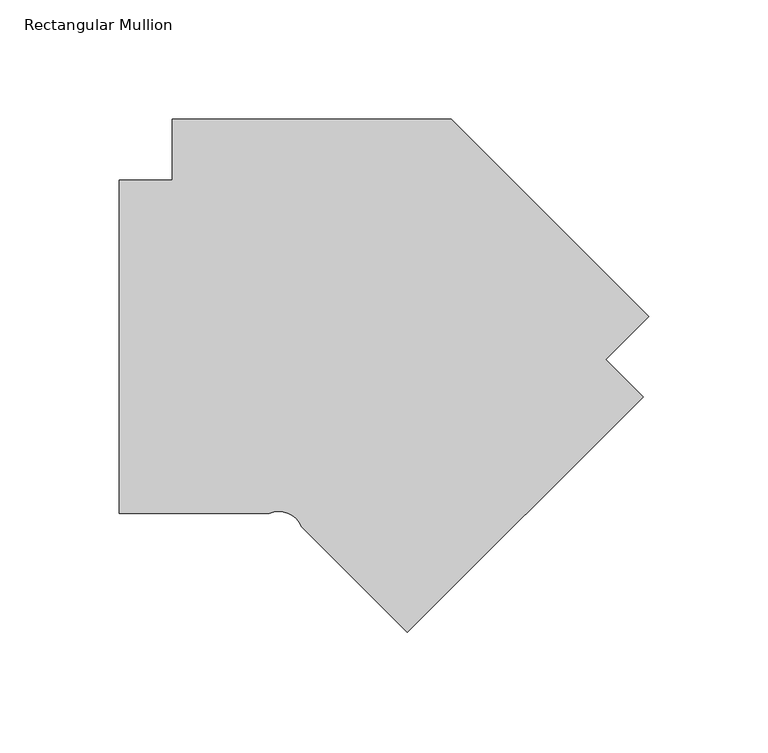
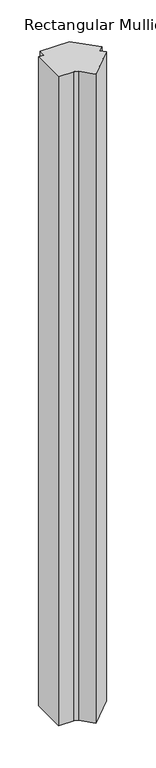
"""IFC4 building model written with IfcOpenShell, lengths in millimetres: member geometry, Rectangular Mullion."""

import ifcopenshell
import ifcopenshell.guid

model = None  # the IFC model being written
_history = None  # IfcOwnerHistory: only IFC2X3 demands one
_inside = {}  # id of a spatial element -> (the spatial element, [elements in it])
_under = {}  # id of a project, library or spatial element -> (it, [spatial elements below it])
_declared = {}  # id of a project -> (the project, [libraries it declares])
_typed = {}  # id of a type object -> (the type object, [elements of that type])
_made_of = {}  # id of a material, layer set ... -> (it, [elements and type objects made of it])


def new_model(schema):
    """Start an empty IFC model of exactly this schema.

    Asked for "IFC4X3", IfcOpenShell would pick the latest addendum, in which some entities
    have other attributes; the version numbers below select the first issue.
    IFC2X3 requires an IfcOwnerHistory on every rooted entity: one is made here for all.
    """
    global model, _history
    if schema == "IFC4X3":
        model = ifcopenshell.file(schema_version=(4, 3, 0, 0))
    else:
        model = ifcopenshell.file(schema=schema)
    _inside.clear()
    _under.clear()
    _declared.clear()
    _typed.clear()
    _made_of.clear()
    _history = None
    if model.schema == "IFC2X3":
        org = make("IfcOrganization", Name="unknown")
        user = make(
            "IfcPersonAndOrganization",
            ThePerson=make("IfcPerson", FamilyName="unknown"),
            TheOrganization=org,
        )
        app = make(
            "IfcApplication",
            ApplicationDeveloper=org,
            Version="unknown",
            ApplicationFullName="unknown",
            ApplicationIdentifier="unknown",
        )
        _history = make(
            "IfcOwnerHistory",
            OwningUser=user,
            OwningApplication=app,
            ChangeAction="ADDED",
            CreationDate=0,
        )
    return model


def make(cls, **values):
    """One entity of the class cls with the attributes given. An attribute that is None is left unset."""
    return model.create_entity(
        cls, **{name: value for name, value in values.items() if value is not None}
    )


def rooted(cls, **values):
    """An entity with a GlobalId (a new one), such as an element, a storey or a relation."""
    return make(cls, GlobalId=ifcopenshell.guid.new(), OwnerHistory=_history, **values)


def si_unit(unit_type, name, prefix=None):
    """IfcSIUnit, for example si_unit("LENGTHUNIT", "METRE", prefix="MILLI")."""
    return make("IfcSIUnit", UnitType=unit_type, Prefix=prefix, Name=name)


def assignment(units):
    """IfcUnitAssignment: the units of a project."""
    return None if units is None else make("IfcUnitAssignment", Units=units)


def point(xyz):
    """IfcCartesianPoint."""
    return None if xyz is None else make("IfcCartesianPoint", Coordinates=xyz)


def direction(xyz):
    """IfcDirection."""
    return None if xyz is None else make("IfcDirection", DirectionRatios=xyz)


def frame(location, z_axis=None, x_axis=None):
    """IfcAxis2Placement3D, a coordinate frame: its origin and axes. An axis left out is left unset."""
    return make(
        "IfcAxis2Placement3D",
        Location=point(location),
        Axis=direction(z_axis),
        RefDirection=direction(x_axis),
    )


def frame_2d(location, x_axis=None):
    """IfcAxis2Placement2D, a coordinate frame in the plane: its origin and x axis."""
    return make(
        "IfcAxis2Placement2D", Location=point(location), RefDirection=direction(x_axis)
    )


def origin():
    """The frame at (0, 0, 0) with its axes left unset."""
    return frame((0.0, 0.0, 0.0))


def place(relative_to, where):
    """IfcLocalPlacement: puts the frame where relative to a parent placement (None: the world)."""
    return make(
        "IfcLocalPlacement", PlacementRelTo=relative_to, RelativePlacement=where
    )


def context(
    kind, dimensions, precision=None, world=None, true_north=None, identifier=None
):
    """IfcGeometricRepresentationContext, for example the 3D "Model" context."""
    return make(
        "IfcGeometricRepresentationContext",
        ContextIdentifier=identifier,
        ContextType=kind,
        CoordinateSpaceDimension=dimensions,
        Precision=precision,
        WorldCoordinateSystem=world,
        TrueNorth=true_north,
    )


def project(units=None, contexts=None):
    """IfcProject with its units and contexts."""
    return rooted(
        "IfcProject",
        Name="project",
        RepresentationContexts=contexts,
        UnitsInContext=assignment(units),
    )


def spatial(cls, under=None, at=None, **own):
    """A site, building, storey or space (cls), placed at a placement, below another one or the project."""
    s = rooted(cls, ObjectPlacement=at, **own)
    if under is not None:
        _under.setdefault(under.id(), (under, []))[1].append(s)
    return s


def polyline(points):
    """IfcPolyline through the points."""
    return make("IfcPolyline", Points=[point(p) for p in points])


def circle_curve(where, radius):
    """IfcCircle in the frame where."""
    return make("IfcCircle", Position=where, Radius=radius)


def trimmed(basis, trim1, trim2, sense, master):
    """IfcTrimmedCurve: the piece of a basis curve between two trims."""
    return make(
        "IfcTrimmedCurve",
        BasisCurve=basis,
        Trim1=trim1,
        Trim2=trim2,
        SenseAgreement=sense,
        MasterRepresentation=master,
    )


def segment(curve, same_sense, transition):
    """IfcCompositeCurveSegment."""
    return make(
        "IfcCompositeCurveSegment",
        Transition=transition,
        SameSense=same_sense,
        ParentCurve=curve,
    )


def composite_curve(segments, self_intersect=None):
    """IfcCompositeCurve: segments joined end to end."""
    return make("IfcCompositeCurve", Segments=segments, SelfIntersect=self_intersect)


def outline(outer, holes=None, kind="AREA"):
    """IfcArbitraryClosedProfileDef: a profile drawn as a closed curve; with holes, ...WithVoids."""
    if holes is None:
        return make("IfcArbitraryClosedProfileDef", ProfileType=kind, OuterCurve=outer)
    return make(
        "IfcArbitraryProfileDefWithVoids",
        ProfileType=kind,
        OuterCurve=outer,
        InnerCurves=holes,
    )


def extrude(swept, where, along, depth):
    """IfcExtrudedAreaSolid: the profile swept, set in the frame where, extruded along a direction by depth."""
    return make(
        "IfcExtrudedAreaSolid",
        SweptArea=swept,
        Position=where,
        ExtrudedDirection=direction(along),
        Depth=depth,
    )


def shape(context_of_items, identifier, shape_type, items):
    """IfcShapeRepresentation: the items that make up one representation, for example the "Body"."""
    return make(
        "IfcShapeRepresentation",
        ContextOfItems=context_of_items,
        RepresentationIdentifier=identifier,
        RepresentationType=shape_type,
        Items=items,
    )


def source(mapping_origin, context_of_items, identifier, shape_type, items):
    """IfcRepresentationMap: a shape defined once, which mapped items show again and again."""
    return make(
        "IfcRepresentationMap",
        MappingOrigin=mapping_origin,
        MappedRepresentation=shape(context_of_items, identifier, shape_type, items),
    )


def transform(
    local_origin,
    x_axis=None,
    y_axis=None,
    z_axis=None,
    scale=None,
    scale2=None,
    scale3=None,
    uniform=True,
):
    """IfcCartesianTransformationOperator3D, or its non-uniform kind. x_axis, y_axis, z_axis: its Axis1, 2, 3."""
    if uniform:
        return make(
            "IfcCartesianTransformationOperator3D",
            Axis1=direction(x_axis),
            Axis2=direction(y_axis),
            LocalOrigin=point(local_origin),
            Scale=scale,
            Axis3=direction(z_axis),
        )
    return make(
        "IfcCartesianTransformationOperator3DnonUniform",
        Axis1=direction(x_axis),
        Axis2=direction(y_axis),
        LocalOrigin=point(local_origin),
        Scale=scale,
        Axis3=direction(z_axis),
        Scale2=scale2,
        Scale3=scale3,
    )


def mapped(mapping_source, mapping_target):
    """IfcMappedItem: shows the shape of a source again, moved by a transform."""
    return make(
        "IfcMappedItem", MappingSource=mapping_source, MappingTarget=mapping_target
    )


def made_of(thing, what):
    """Note that an element or type object is made of a material, layer set ...; save() writes the relation."""
    if what is not None:
        _made_of.setdefault(what.id(), (what, []))[1].append(thing)
    return thing


def element(
    cls,
    number,
    at=None,
    inside=None,
    cuts=None,
    type_object=None,
    material=None,
    context=None,
    identifier="Body",
    shape_type=None,
    held_by="IfcProductDefinitionShape",
    body=None,
    shapes=None,
    **own,
):
    """One element of the class cls, such as IfcWall. Its Tag is "e" and its number.

    at: its placement. inside: the storey or other place that contains it. cuts: it is an
    opening in that element (IfcRelVoidsElement). A single representation is given by context,
    identifier, shape_type and body (its items); several are given by shapes. held_by: the class
    of the entity that holds the representations. save() writes the other relations.
    """
    e = rooted(cls, Tag="e%d" % number, ObjectPlacement=at, **own)
    if body is not None:
        shapes = [shape(context, identifier, shape_type, body)]
    if shapes is not None:
        e.Representation = make(held_by, Representations=shapes)
    if inside is not None:
        _inside.setdefault(inside.id(), (inside, []))[1].append(e)
    if cuts is not None:
        rooted(
            "IfcRelVoidsElement", RelatingBuildingElement=cuts, RelatedOpeningElement=e
        )
    if type_object is not None:
        _typed.setdefault(type_object.id(), (type_object, []))[1].append(e)
    return made_of(e, material)


def aggregate(whole, parts):
    """IfcRelAggregates: a whole, such as a stair, and the parts it consists of."""
    return rooted("IfcRelAggregates", RelatingObject=whole, RelatedObjects=parts)


def save(model, path):
    """Write the relations noted so far, then the file.

    IfcRelAggregates (storeys below a building ...), IfcRelContainedInSpatialStructure (elements
    in a storey), IfcRelDefinesByType, IfcRelAssociatesMaterial and IfcRelDeclares: one each for
    every whole, place, type object, material and project.
    """
    for whole, parts in _under.values():
        aggregate(whole, parts)
    for where, things in _inside.values():
        rooted(
            "IfcRelContainedInSpatialStructure",
            RelatedElements=things,
            RelatingStructure=where,
        )
    for kind, things in _typed.values():
        rooted("IfcRelDefinesByType", RelatedObjects=things, RelatingType=kind)
    for what, things in _made_of.values():
        rooted("IfcRelAssociatesMaterial", RelatedObjects=things, RelatingMaterial=what)
    for by, libraries in _declared.values():
        rooted("IfcRelDeclares", RelatingContext=by, RelatedDefinitions=libraries)
    model.write(path)


def rectangular_mullion_3c933030(model_context):
    return source(origin(), model_context, "Body", "SweptSolid", [
        extrude(outline(composite_curve([segment(polyline([(-158.8417792, -165.0999894), (-221.6243786, -165.0999894), (-221.6243786, -25.3999944), (-199.3994918, -25.3999944), (-199.3994918, 0.0), (-82.5939738, 0.0), (0.0, -82.5939738), (-17.9605048, -100.5544786), (-2.2451368, -116.2698466), (-101.0279542, -215.0526639), (-145.4219558, -170.6586623)]), True, "CONTINUOUS"), segment(trimmed(circle_curve(frame_2d((-154.9491833, -174.680928)), 10.3415031), [point((-145.4219558, -170.6586623))], [point((-158.8417792, -165.0999894))], True, "CARTESIAN"), True, "CONTINUOUS")], self_intersect=False)), frame((0.0, 0.0, -2743.2), z_axis=(0.0, 0.0, 1.0), x_axis=(1.0, 0.0, 0.0)), (0.0, 0.0, 1.0), 2743.2),
    ])


if __name__ == "__main__":
    model = new_model("IFC4")
    model_context = context("Model", 3, world=origin())
    ifc_project = project(units=[si_unit("LENGTHUNIT", "METRE", prefix="MILLI")], contexts=[model_context])
    site = spatial("IfcSite", under=ifc_project)
    building = spatial("IfcBuilding", under=site)
    placement = place(None, origin())
    rectangular_mullion_shape = rectangular_mullion_3c933030(model_context)
    element("IfcMember", 1, ObjectType="Rectangular Mullion", at=placement, inside=building, context=model_context, shape_type="MappedRepresentation", body=[
        mapped(rectangular_mullion_shape, transform((0.0, 0.0, 0.0), x_axis=(1.0, 0.0, 0.0), y_axis=(0.0, 1.0, 0.0), z_axis=(0.0, 0.0, 1.0))),
    ])
    save(model, "model.ifc")
